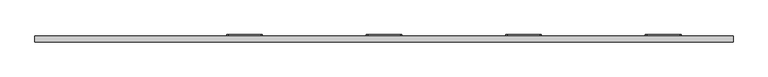
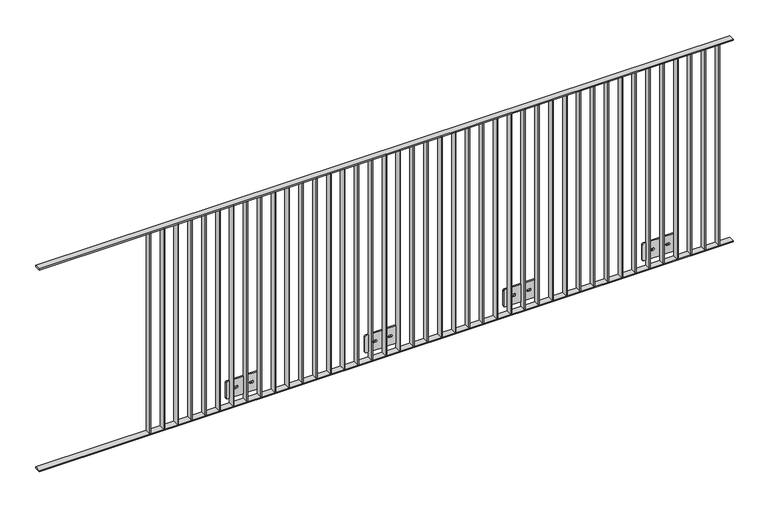
"""IFC4 building model written with IfcOpenShell, lengths in millimetres: railing geometry."""

from ifc_helpers import new_model, si_unit, frame, origin, place, context, project, spatial, polyline, circle_curve, outline, extrude, source, transform, mapped, element, save
from ifc_brep_helpers import plane_surface, cylinder_surface, revolved_surface, advanced_brep


def railing_325b37f7(model_context):
    return source(origin(), model_context, "Body", "SolidModel", [
        extrude(outline(polyline([(8210.4711935, -1129.1783245), (8210.4711935, -1089.1783245), (12710.4711935, -1089.1783245), (12710.4711935, -1129.1783245), (8210.4711935, -1129.1783245)])), frame((0.0, 0.0, 1192.0), z_axis=(0.0, 0.0, 1.0), x_axis=(1.0, 0.0, 0.0)), (0.0, 0.0, 1.0), 8.0),
        extrude(outline(polyline([(8210.4711935, -1129.1783245), (8210.4711935, -1089.1783245), (12710.4711935, -1089.1783245), (12710.4711935, -1129.1783245), (8210.4711935, -1129.1783245)])), frame((0.0, 0.0, -190.0), z_axis=(0.0, 0.0, 1.0), x_axis=(1.0, 0.0, 0.0)), (0.0, 0.0, 1.0), 8.0),
        extrude(outline(polyline([(12617.4711935, -1089.1783245), (12623.4711935, -1089.1783245), (12623.4711935, -1129.1783245), (12617.4711935, -1129.1783245), (12617.4711935, -1089.1783245)])), frame((0.0, 0.0, -182.0), z_axis=(0.0, 0.0, 1.0), x_axis=(1.0, 0.0, 0.0)), (0.0, 0.0, 1.0), 1374.0),
        extrude(outline(polyline([(12527.4711935, -1089.1783245), (12533.4711935, -1089.1783245), (12533.4711935, -1129.1783245), (12527.4711935, -1129.1783245), (12527.4711935, -1089.1783245)])), frame((0.0, 0.0, -182.0), z_axis=(0.0, 0.0, 1.0), x_axis=(1.0, 0.0, 0.0)), (0.0, 0.0, 1.0), 1374.0),
        extrude(outline(polyline([(12437.4711935, -1089.1783245), (12443.4711935, -1089.1783245), (12443.4711935, -1129.1783245), (12437.4711935, -1129.1783245), (12437.4711935, -1089.1783245)])), frame((0.0, 0.0, -182.0), z_axis=(0.0, 0.0, 1.0), x_axis=(1.0, 0.0, 0.0)), (0.0, 0.0, 1.0), 1374.0),
        extrude(outline(polyline([(12347.4711935, -1089.1783245), (12353.4711935, -1089.1783245), (12353.4711935, -1129.1783245), (12347.4711935, -1129.1783245), (12347.4711935, -1089.1783245)])), frame((0.0, 0.0, -182.0), z_axis=(0.0, 0.0, 1.0), x_axis=(1.0, 0.0, 0.0)), (0.0, 0.0, 1.0), 1374.0),
        advanced_brep(
        [(12257.4711935, -1129.1783245, 1192.0), (12257.4711935, -1129.1783245, -182.0), (12263.4711935, -1129.1783245, -182.0), (12263.4711935, -1129.1783245, 1192.0), (12257.4711935, -1089.1783245, 1192.0), (12263.4711935, -1089.1783245, 1192.0), (12263.4711935, -1089.1783245, -30.0), (12257.4711935, -1089.1783245, -30.0), (12263.4711935, -1089.1783245, -182.0), (12257.4711935, -1089.1783245, -182.0), (12257.4711935, -1089.1783245, -150.0), (12263.4711935, -1089.1783245, -150.0), (12365.4711935, -1081.1783245, -150.0), (12155.4711935, -1081.1783245, -150.0), (12145.4711935, -1081.1783245, -140.0), (12145.4711935, -1081.1783245, -40.0), (12155.4711935, -1081.1783245, -30.0), (12365.4711935, -1081.1783245, -30.0), (12375.4711935, -1081.1783245, -40.0), (12375.4711935, -1081.1783245, -140.0), (12215.4711935, -1081.1783245, -97.0), (12215.4711935, -1081.1783245, -83.0), (12205.4711935, -1081.1783245, -83.0), (12205.4711935, -1081.1783245, -97.0), (12305.4711935, -1081.1783245, -97.0), (12315.4711935, -1081.1783245, -97.0), (12315.4711935, -1081.1783245, -83.0), (12305.4711935, -1081.1783245, -83.0), (12365.4711935, -1089.1783245, -150.0), (12375.4711935, -1089.1783245, -140.0), (12375.4711935, -1089.1783245, -40.0), (12365.4711935, -1089.1783245, -30.0), (12305.4711935, -1089.1783245, -97.0), (12305.4711935, -1089.1783245, -83.0), (12315.4711935, -1089.1783245, -83.0), (12315.4711935, -1089.1783245, -97.0), (12155.4711935, -1089.1783245, -30.0), (12145.4711935, -1089.1783245, -40.0), (12145.4711935, -1089.1783245, -140.0), (12155.4711935, -1089.1783245, -150.0), (12215.4711935, -1089.1783245, -97.0), (12205.4711935, -1089.1783245, -97.0), (12205.4711935, -1089.1783245, -83.0), (12215.4711935, -1089.1783245, -83.0)],
        [
            (0, 1),
            (1, 2),
            (2, 3),
            (3, 0),
            (4, 5),
            (5, 6),
            (6, 7),
            (7, 4),
            (8, 9),
            (9, 10),
            (10, 11),
            (11, 8),
            (3, 5),
            (4, 0),
            (7, 10),
            (9, 1),
            (2, 8),
            (11, 6),
            (12, 13),
            (13, 14, circle_curve(frame((12155.4711935, -1081.1783245, -140.0), z_axis=(0.0, 1.0, 0.0), x_axis=(-1.0, 0.0, 0.0)), 10.0)),
            (14, 15),
            (15, 16, circle_curve(frame((12155.4711935, -1081.1783245, -40.0), z_axis=(0.0, 1.0, 0.0), x_axis=(-1.0, 0.0, 0.0)), 10.0)),
            (16, 17),
            (17, 18, circle_curve(frame((12365.4711935, -1081.1783245, -40.0), z_axis=(0.0, 1.0, 0.0), x_axis=(-1.0, 0.0, 0.0)), 10.0)),
            (18, 19),
            (19, 12, circle_curve(frame((12365.4711935, -1081.1783245, -140.0), z_axis=(0.0, 1.0, 0.0), x_axis=(-1.0, 0.0, 0.0)), 10.0)),
            (20, 21, circle_curve(frame((12215.4711935, -1081.1783245, -90.0), z_axis=(0.0, -1.0, 0.0), x_axis=(-1.0, 0.0, 0.0)), 7.0)),
            (21, 22),
            (22, 23, circle_curve(frame((12205.4711935, -1081.1783245, -90.0), z_axis=(0.0, -1.0, 0.0), x_axis=(-1.0, 0.0, 0.0)), 7.0)),
            (23, 20),
            (24, 25),
            (25, 26, circle_curve(frame((12315.4711935, -1081.1783245, -90.0), z_axis=(0.0, -1.0, 0.0), x_axis=(-1.0, 0.0, 0.0)), 7.0)),
            (26, 27),
            (27, 24, circle_curve(frame((12305.4711935, -1081.1783245, -90.0), z_axis=(0.0, -1.0, 0.0), x_axis=(-1.0, 0.0, 0.0)), 7.0)),
            (28, 29, circle_curve(frame((12365.4711935, -1089.1783245, -140.0), z_axis=(0.0, -1.0, 0.0), x_axis=(-1.0, 0.0, 0.0)), 10.0)),
            (29, 30),
            (30, 31, circle_curve(frame((12365.4711935, -1089.1783245, -40.0), z_axis=(0.0, -1.0, 0.0), x_axis=(-1.0, 0.0, 0.0)), 10.0)),
            (31, 6),
            (11, 28),
            (32, 33, circle_curve(frame((12305.4711935, -1089.1783245, -90.0), z_axis=(0.0, 1.0, 0.0), x_axis=(-1.0, 0.0, 0.0)), 7.0)),
            (33, 34),
            (34, 35, circle_curve(frame((12315.4711935, -1089.1783245, -90.0), z_axis=(0.0, 1.0, 0.0), x_axis=(-1.0, 0.0, 0.0)), 7.0)),
            (35, 32),
            (36, 37, circle_curve(frame((12155.4711935, -1089.1783245, -40.0), z_axis=(0.0, -1.0, 0.0), x_axis=(-1.0, 0.0, 0.0)), 10.0)),
            (37, 38),
            (38, 39, circle_curve(frame((12155.4711935, -1089.1783245, -140.0), z_axis=(0.0, -1.0, 0.0), x_axis=(-1.0, 0.0, 0.0)), 10.0)),
            (39, 10),
            (7, 36),
            (40, 41),
            (41, 42, circle_curve(frame((12205.4711935, -1089.1783245, -90.0), z_axis=(0.0, 1.0, 0.0), x_axis=(-1.0, 0.0, 0.0)), 7.0)),
            (42, 43),
            (43, 40, circle_curve(frame((12215.4711935, -1089.1783245, -90.0), z_axis=(0.0, 1.0, 0.0), x_axis=(-1.0, 0.0, 0.0)), 7.0)),
            (12, 28),
            (39, 13),
            (38, 14),
            (37, 15),
            (36, 16),
            (31, 17),
            (30, 18),
            (29, 19),
            (20, 40),
            (43, 21),
            (42, 22),
            (41, 23),
            (24, 32),
            (35, 25),
            (34, 26),
            (33, 27),
        ],
        [
            plane_surface(frame((12257.4711935, -1129.1783245, 1192.0), z_axis=(0.0, -1.0, 0.0), x_axis=(-1.0, 0.0, 0.0))),
            plane_surface(frame((12257.4711935, -1089.1783245, 1192.0), z_axis=(0.0, 1.0, 0.0), x_axis=(1.0, 0.0, 0.0))),
            plane_surface(frame((12257.4711935, -1089.1783245, 1192.0), z_axis=(0.0, 0.0, 1.0), x_axis=(0.0, -1.0, 0.0))),
            plane_surface(frame((12257.4711935, -1089.1783245, -182.0), z_axis=(-1.0, 0.0, 0.0), x_axis=(0.0, -1.0, 0.0))),
            plane_surface(frame((12263.4711935, -1089.1783245, 1192.0), z_axis=(1.0, 0.0, 0.0), x_axis=(0.0, -1.0, 0.0))),
            plane_surface(frame((12170.4711935, -1081.1783245, -150.0), z_axis=(0.0, 1.0, 0.0), x_axis=(-1.0, 0.0, 0.0))),
            plane_surface(frame((12170.4711935, -1089.1783245, -150.0), z_axis=(0.0, -1.0, 0.0), x_axis=(1.0, 0.0, 0.0))),
            plane_surface(frame((12365.4711935, -1081.1783245, -150.0), z_axis=(0.0, 0.0, -1.0), x_axis=(0.0, -1.0, 0.0))),
            cylinder_surface(frame((12155.4711935, -1089.1783245, -140.0), z_axis=(0.0, 1.0, 0.0), x_axis=(-1.0, 0.0, 0.0)), 10.0),
            plane_surface(frame((12145.4711935, -1081.1783245, -140.0), z_axis=(-1.0, 0.0, 0.0), x_axis=(0.0, -1.0, 0.0))),
            cylinder_surface(frame((12155.4711935, -1089.1783245, -40.0), z_axis=(0.0, 1.0, 0.0), x_axis=(-1.0, 0.0, 0.0)), 10.0),
            plane_surface(frame((12155.4711935, -1081.1783245, -30.0), z_axis=(0.0, 0.0, 1.0), x_axis=(0.0, -1.0, 0.0))),
            cylinder_surface(frame((12365.4711935, -1089.1783245, -40.0), z_axis=(0.0, 1.0, 0.0), x_axis=(-1.0, 0.0, 0.0)), 10.0),
            plane_surface(frame((12375.4711935, -1081.1783245, -40.0), z_axis=(1.0, 0.0, 0.0), x_axis=(0.0, -1.0, 0.0))),
            cylinder_surface(frame((12365.4711935, -1089.1783245, -140.0), z_axis=(0.0, 1.0, 0.0), x_axis=(-1.0, 0.0, 0.0)), 10.0),
            revolved_surface(polyline([(12208.4711935, -1089.1783245, -90.0), (12208.4711935, -1081.1783245, -90.0)]), (12215.4711935, -1109.1783245, -90.0), (0.0, -1.0, 0.0)),
            plane_surface(frame((12215.4711935, -1081.1783245, -83.0), z_axis=(0.0, 0.0, -1.0), x_axis=(0.0, -1.0, 0.0))),
            revolved_surface(polyline([(12198.4711935, -1089.1783245, -90.0), (12198.4711935, -1081.1783245, -90.0)]), (12205.4711935, -1109.1783245, -90.0), (0.0, -1.0, 0.0)),
            plane_surface(frame((12205.4711935, -1081.1783245, -97.0), z_axis=(0.0, 0.0, 1.0), x_axis=(0.0, -1.0, 0.0))),
            plane_surface(frame((12305.4711935, -1081.1783245, -97.0), z_axis=(0.0, 0.0, 1.0), x_axis=(0.0, -1.0, 0.0))),
            revolved_surface(polyline([(12308.4711935, -1089.1783245, -90.0), (12308.4711935, -1081.1783245, -90.0)]), (12315.4711935, -1109.1783245, -90.0), (0.0, -1.0, 0.0)),
            plane_surface(frame((12315.4711935, -1081.1783245, -83.0), z_axis=(0.0, 0.0, -1.0), x_axis=(0.0, -1.0, 0.0))),
            revolved_surface(polyline([(12298.4711935, -1089.1783245, -90.0), (12298.4711935, -1081.1783245, -90.0)]), (12305.4711935, -1109.1783245, -90.0), (0.0, -1.0, 0.0)),
            plane_surface(frame((12263.4711935, -1089.1783245, -182.0), z_axis=(0.0, 0.0, -1.0), x_axis=(0.0, -1.0, 0.0))),
        ],
        [
            (0, [[1, 2, 3, 4]]),
            (1, [[5, 6, 7, 8]]),
            (1, [[9, 10, 11, 12]]),
            (2, [[-4, 13, -5, 14]]),
            (3, [[-1, -14, -8, 15, -10, 16]]),
            (4, [[-3, 17, -12, 18, -6, -13]]),
            (5, [[19, 20, 21, 22, 23, 24, 25, 26], [27, 28, 29, 30], [31, 32, 33, 34]]),
            (6, [[35, 36, 37, 38, -18, 39], [40, 41, 42, 43]]),
            (6, [[44, 45, 46, 47, -15, 48], [49, 50, 51, 52]]),
            (7, [[-19, 53, -39, -11, -47, 54]]),
            (8, [[-20, -54, -46, 55]]),
            (9, [[-21, -55, -45, 56]]),
            (10, [[-22, -56, -44, 57]]),
            (11, [[-23, -57, -48, -7, -38, 58]]),
            (12, [[-24, -58, -37, 59]]),
            (13, [[-25, -59, -36, 60]]),
            (14, [[-26, -60, -35, -53]]),
            (15, [[-27, 61, -52, 62]]),
            (16, [[-28, -62, -51, 63]]),
            (17, [[-29, -63, -50, 64]]),
            (18, [[-30, -64, -49, -61]]),
            (19, [[-31, 65, -43, 66]]),
            (20, [[-32, -66, -42, 67]]),
            (21, [[-33, -67, -41, 68]]),
            (22, [[-34, -68, -40, -65]]),
            (23, [[-2, -16, -9, -17]]),
        ],
    ),
        extrude(outline(polyline([(12167.4711935, -1089.1783245), (12173.4711935, -1089.1783245), (12173.4711935, -1129.1783245), (12167.4711935, -1129.1783245), (12167.4711935, -1089.1783245)])), frame((0.0, 0.0, -182.0), z_axis=(0.0, 0.0, 1.0), x_axis=(1.0, 0.0, 0.0)), (0.0, 0.0, 1.0), 1374.0),
        extrude(outline(polyline([(12077.4711935, -1089.1783245), (12083.4711935, -1089.1783245), (12083.4711935, -1129.1783245), (12077.4711935, -1129.1783245), (12077.4711935, -1089.1783245)])), frame((0.0, 0.0, -182.0), z_axis=(0.0, 0.0, 1.0), x_axis=(1.0, 0.0, 0.0)), (0.0, 0.0, 1.0), 1374.0),
        extrude(outline(polyline([(11987.4711935, -1089.1783245), (11993.4711935, -1089.1783245), (11993.4711935, -1129.1783245), (11987.4711935, -1129.1783245), (11987.4711935, -1089.1783245)])), frame((0.0, 0.0, -182.0), z_axis=(0.0, 0.0, 1.0), x_axis=(1.0, 0.0, 0.0)), (0.0, 0.0, 1.0), 1374.0),
        extrude(outline(polyline([(11897.4711935, -1089.1783245), (11903.4711935, -1089.1783245), (11903.4711935, -1129.1783245), (11897.4711935, -1129.1783245), (11897.4711935, -1089.1783245)])), frame((0.0, 0.0, -182.0), z_axis=(0.0, 0.0, 1.0), x_axis=(1.0, 0.0, 0.0)), (0.0, 0.0, 1.0), 1374.0),
        extrude(outline(polyline([(11807.4711935, -1089.1783245), (11813.4711935, -1089.1783245), (11813.4711935, -1129.1783245), (11807.4711935, -1129.1783245), (11807.4711935, -1089.1783245)])), frame((0.0, 0.0, -182.0), z_axis=(0.0, 0.0, 1.0), x_axis=(1.0, 0.0, 0.0)), (0.0, 0.0, 1.0), 1374.0),
        extrude(outline(polyline([(11717.4711935, -1089.1783245), (11723.4711935, -1089.1783245), (11723.4711935, -1129.1783245), (11717.4711935, -1129.1783245), (11717.4711935, -1089.1783245)])), frame((0.0, 0.0, -182.0), z_axis=(0.0, 0.0, 1.0), x_axis=(1.0, 0.0, 0.0)), (0.0, 0.0, 1.0), 1374.0),
        extrude(outline(polyline([(11627.4711935, -1089.1783245), (11633.4711935, -1089.1783245), (11633.4711935, -1129.1783245), (11627.4711935, -1129.1783245), (11627.4711935, -1089.1783245)])), frame((0.0, 0.0, -182.0), z_axis=(0.0, 0.0, 1.0), x_axis=(1.0, 0.0, 0.0)), (0.0, 0.0, 1.0), 1374.0),
        extrude(outline(polyline([(11537.4711935, -1089.1783245), (11543.4711935, -1089.1783245), (11543.4711935, -1129.1783245), (11537.4711935, -1129.1783245), (11537.4711935, -1089.1783245)])), frame((0.0, 0.0, -182.0), z_axis=(0.0, 0.0, 1.0), x_axis=(1.0, 0.0, 0.0)), (0.0, 0.0, 1.0), 1374.0),
        extrude(outline(polyline([(11447.4711935, -1089.1783245), (11453.4711935, -1089.1783245), (11453.4711935, -1129.1783245), (11447.4711935, -1129.1783245), (11447.4711935, -1089.1783245)])), frame((0.0, 0.0, -182.0), z_axis=(0.0, 0.0, 1.0), x_axis=(1.0, 0.0, 0.0)), (0.0, 0.0, 1.0), 1374.0),
        advanced_brep(
        [(11357.4711935, -1129.1783245, 1192.0), (11357.4711935, -1129.1783245, -182.0), (11363.4711935, -1129.1783245, -182.0), (11363.4711935, -1129.1783245, 1192.0), (11357.4711935, -1089.1783245, 1192.0), (11363.4711935, -1089.1783245, 1192.0), (11363.4711935, -1089.1783245, -30.0), (11357.4711935, -1089.1783245, -30.0), (11363.4711935, -1089.1783245, -182.0), (11357.4711935, -1089.1783245, -182.0), (11357.4711935, -1089.1783245, -150.0), (11363.4711935, -1089.1783245, -150.0), (11465.4711935, -1081.1783245, -150.0), (11255.4711935, -1081.1783245, -150.0), (11245.4711935, -1081.1783245, -140.0), (11245.4711935, -1081.1783245, -40.0), (11255.4711935, -1081.1783245, -30.0), (11465.4711935, -1081.1783245, -30.0), (11475.4711935, -1081.1783245, -40.0), (11475.4711935, -1081.1783245, -140.0), (11315.4711935, -1081.1783245, -97.0), (11315.4711935, -1081.1783245, -83.0), (11305.4711935, -1081.1783245, -83.0), (11305.4711935, -1081.1783245, -97.0), (11405.4711935, -1081.1783245, -97.0), (11415.4711935, -1081.1783245, -97.0), (11415.4711935, -1081.1783245, -83.0), (11405.4711935, -1081.1783245, -83.0), (11465.4711935, -1089.1783245, -150.0), (11475.4711935, -1089.1783245, -140.0), (11475.4711935, -1089.1783245, -40.0), (11465.4711935, -1089.1783245, -30.0), (11405.4711935, -1089.1783245, -97.0), (11405.4711935, -1089.1783245, -83.0), (11415.4711935, -1089.1783245, -83.0), (11415.4711935, -1089.1783245, -97.0), (11255.4711935, -1089.1783245, -30.0), (11245.4711935, -1089.1783245, -40.0), (11245.4711935, -1089.1783245, -140.0), (11255.4711935, -1089.1783245, -150.0), (11315.4711935, -1089.1783245, -97.0), (11305.4711935, -1089.1783245, -97.0), (11305.4711935, -1089.1783245, -83.0), (11315.4711935, -1089.1783245, -83.0)],
        [
            (0, 1),
            (1, 2),
            (2, 3),
            (3, 0),
            (4, 5),
            (5, 6),
            (6, 7),
            (7, 4),
            (8, 9),
            (9, 10),
            (10, 11),
            (11, 8),
            (3, 5),
            (4, 0),
            (7, 10),
            (9, 1),
            (2, 8),
            (11, 6),
            (12, 13),
            (13, 14, circle_curve(frame((11255.4711935, -1081.1783245, -140.0), z_axis=(0.0, 1.0, 0.0), x_axis=(-1.0, 0.0, 0.0)), 10.0)),
            (14, 15),
            (15, 16, circle_curve(frame((11255.4711935, -1081.1783245, -40.0), z_axis=(0.0, 1.0, 0.0), x_axis=(-1.0, 0.0, 0.0)), 10.0)),
            (16, 17),
            (17, 18, circle_curve(frame((11465.4711935, -1081.1783245, -40.0), z_axis=(0.0, 1.0, 0.0), x_axis=(-1.0, 0.0, 0.0)), 10.0)),
            (18, 19),
            (19, 12, circle_curve(frame((11465.4711935, -1081.1783245, -140.0), z_axis=(0.0, 1.0, 0.0), x_axis=(-1.0, 0.0, 0.0)), 10.0)),
            (20, 21, circle_curve(frame((11315.4711935, -1081.1783245, -90.0), z_axis=(0.0, -1.0, 0.0), x_axis=(-1.0, 0.0, 0.0)), 7.0)),
            (21, 22),
            (22, 23, circle_curve(frame((11305.4711935, -1081.1783245, -90.0), z_axis=(0.0, -1.0, 0.0), x_axis=(-1.0, 0.0, 0.0)), 7.0)),
            (23, 20),
            (24, 25),
            (25, 26, circle_curve(frame((11415.4711935, -1081.1783245, -90.0), z_axis=(0.0, -1.0, 0.0), x_axis=(-1.0, 0.0, 0.0)), 7.0)),
            (26, 27),
            (27, 24, circle_curve(frame((11405.4711935, -1081.1783245, -90.0), z_axis=(0.0, -1.0, 0.0), x_axis=(-1.0, 0.0, 0.0)), 7.0)),
            (28, 29, circle_curve(frame((11465.4711935, -1089.1783245, -140.0), z_axis=(0.0, -1.0, 0.0), x_axis=(-1.0, 0.0, 0.0)), 10.0)),
            (29, 30),
            (30, 31, circle_curve(frame((11465.4711935, -1089.1783245, -40.0), z_axis=(0.0, -1.0, 0.0), x_axis=(-1.0, 0.0, 0.0)), 10.0)),
            (31, 6),
            (11, 28),
            (32, 33, circle_curve(frame((11405.4711935, -1089.1783245, -90.0), z_axis=(0.0, 1.0, 0.0), x_axis=(-1.0, 0.0, 0.0)), 7.0)),
            (33, 34),
            (34, 35, circle_curve(frame((11415.4711935, -1089.1783245, -90.0), z_axis=(0.0, 1.0, 0.0), x_axis=(-1.0, 0.0, 0.0)), 7.0)),
            (35, 32),
            (36, 37, circle_curve(frame((11255.4711935, -1089.1783245, -40.0), z_axis=(0.0, -1.0, 0.0), x_axis=(-1.0, 0.0, 0.0)), 10.0)),
            (37, 38),
            (38, 39, circle_curve(frame((11255.4711935, -1089.1783245, -140.0), z_axis=(0.0, -1.0, 0.0), x_axis=(-1.0, 0.0, 0.0)), 10.0)),
            (39, 10),
            (7, 36),
            (40, 41),
            (41, 42, circle_curve(frame((11305.4711935, -1089.1783245, -90.0), z_axis=(0.0, 1.0, 0.0), x_axis=(-1.0, 0.0, 0.0)), 7.0)),
            (42, 43),
            (43, 40, circle_curve(frame((11315.4711935, -1089.1783245, -90.0), z_axis=(0.0, 1.0, 0.0), x_axis=(-1.0, 0.0, 0.0)), 7.0)),
            (12, 28),
            (39, 13),
            (38, 14),
            (37, 15),
            (36, 16),
            (31, 17),
            (30, 18),
            (29, 19),
            (20, 40),
            (43, 21),
            (42, 22),
            (41, 23),
            (24, 32),
            (35, 25),
            (34, 26),
            (33, 27),
        ],
        [
            plane_surface(frame((11357.4711935, -1129.1783245, 1192.0), z_axis=(0.0, -1.0, 0.0), x_axis=(-1.0, 0.0, 0.0))),
            plane_surface(frame((11357.4711935, -1089.1783245, 1192.0), z_axis=(0.0, 1.0, 0.0), x_axis=(1.0, 0.0, 0.0))),
            plane_surface(frame((11357.4711935, -1089.1783245, 1192.0), z_axis=(0.0, 0.0, 1.0), x_axis=(0.0, -1.0, 0.0))),
            plane_surface(frame((11357.4711935, -1089.1783245, -182.0), z_axis=(-1.0, 0.0, 0.0), x_axis=(0.0, -1.0, 0.0))),
            plane_surface(frame((11363.4711935, -1089.1783245, 1192.0), z_axis=(1.0, 0.0, 0.0), x_axis=(0.0, -1.0, 0.0))),
            plane_surface(frame((11270.4711935, -1081.1783245, -150.0), z_axis=(0.0, 1.0, 0.0), x_axis=(-1.0, 0.0, 0.0))),
            plane_surface(frame((11270.4711935, -1089.1783245, -150.0), z_axis=(0.0, -1.0, 0.0), x_axis=(1.0, 0.0, 0.0))),
            plane_surface(frame((11465.4711935, -1081.1783245, -150.0), z_axis=(0.0, 0.0, -1.0), x_axis=(0.0, -1.0, 0.0))),
            cylinder_surface(frame((11255.4711935, -1089.1783245, -140.0), z_axis=(0.0, 1.0, 0.0), x_axis=(-1.0, 0.0, 0.0)), 10.0),
            plane_surface(frame((11245.4711935, -1081.1783245, -140.0), z_axis=(-1.0, 0.0, 0.0), x_axis=(0.0, -1.0, 0.0))),
            cylinder_surface(frame((11255.4711935, -1089.1783245, -40.0), z_axis=(0.0, 1.0, 0.0), x_axis=(-1.0, 0.0, 0.0)), 10.0),
            plane_surface(frame((11255.4711935, -1081.1783245, -30.0), z_axis=(0.0, 0.0, 1.0), x_axis=(0.0, -1.0, 0.0))),
            cylinder_surface(frame((11465.4711935, -1089.1783245, -40.0), z_axis=(0.0, 1.0, 0.0), x_axis=(-1.0, 0.0, 0.0)), 10.0),
            plane_surface(frame((11475.4711935, -1081.1783245, -40.0), z_axis=(1.0, 0.0, 0.0), x_axis=(0.0, -1.0, 0.0))),
            cylinder_surface(frame((11465.4711935, -1089.1783245, -140.0), z_axis=(0.0, 1.0, 0.0), x_axis=(-1.0, 0.0, 0.0)), 10.0),
            revolved_surface(polyline([(11308.4711935, -1089.1783245, -90.0), (11308.4711935, -1081.1783245, -90.0)]), (11315.4711935, -1109.1783245, -90.0), (0.0, -1.0, 0.0)),
            plane_surface(frame((11315.4711935, -1081.1783245, -83.0), z_axis=(0.0, 0.0, -1.0), x_axis=(0.0, -1.0, 0.0))),
            revolved_surface(polyline([(11298.4711935, -1089.1783245, -90.0), (11298.4711935, -1081.1783245, -90.0)]), (11305.4711935, -1109.1783245, -90.0), (0.0, -1.0, 0.0)),
            plane_surface(frame((11305.4711935, -1081.1783245, -97.0), z_axis=(0.0, 0.0, 1.0), x_axis=(0.0, -1.0, 0.0))),
            plane_surface(frame((11405.4711935, -1081.1783245, -97.0), z_axis=(0.0, 0.0, 1.0), x_axis=(0.0, -1.0, 0.0))),
            revolved_surface(polyline([(11408.4711935, -1089.1783245, -90.0), (11408.4711935, -1081.1783245, -90.0)]), (11415.4711935, -1109.1783245, -90.0), (0.0, -1.0, 0.0)),
            plane_surface(frame((11415.4711935, -1081.1783245, -83.0), z_axis=(0.0, 0.0, -1.0), x_axis=(0.0, -1.0, 0.0))),
            revolved_surface(polyline([(11398.4711935, -1089.1783245, -90.0), (11398.4711935, -1081.1783245, -90.0)]), (11405.4711935, -1109.1783245, -90.0), (0.0, -1.0, 0.0)),
            plane_surface(frame((11363.4711935, -1089.1783245, -182.0), z_axis=(0.0, 0.0, -1.0), x_axis=(0.0, -1.0, 0.0))),
        ],
        [
            (0, [[1, 2, 3, 4]]),
            (1, [[5, 6, 7, 8]]),
            (1, [[9, 10, 11, 12]]),
            (2, [[-4, 13, -5, 14]]),
            (3, [[-1, -14, -8, 15, -10, 16]]),
            (4, [[-3, 17, -12, 18, -6, -13]]),
            (5, [[19, 20, 21, 22, 23, 24, 25, 26], [27, 28, 29, 30], [31, 32, 33, 34]]),
            (6, [[35, 36, 37, 38, -18, 39], [40, 41, 42, 43]]),
            (6, [[44, 45, 46, 47, -15, 48], [49, 50, 51, 52]]),
            (7, [[-19, 53, -39, -11, -47, 54]]),
            (8, [[-20, -54, -46, 55]]),
            (9, [[-21, -55, -45, 56]]),
            (10, [[-22, -56, -44, 57]]),
            (11, [[-23, -57, -48, -7, -38, 58]]),
            (12, [[-24, -58, -37, 59]]),
            (13, [[-25, -59, -36, 60]]),
            (14, [[-26, -60, -35, -53]]),
            (15, [[-27, 61, -52, 62]]),
            (16, [[-28, -62, -51, 63]]),
            (17, [[-29, -63, -50, 64]]),
            (18, [[-30, -64, -49, -61]]),
            (19, [[-31, 65, -43, 66]]),
            (20, [[-32, -66, -42, 67]]),
            (21, [[-33, -67, -41, 68]]),
            (22, [[-34, -68, -40, -65]]),
            (23, [[-2, -16, -9, -17]]),
        ],
    ),
        extrude(outline(polyline([(11267.4711935, -1089.1783245), (11273.4711935, -1089.1783245), (11273.4711935, -1129.1783245), (11267.4711935, -1129.1783245), (11267.4711935, -1089.1783245)])), frame((0.0, 0.0, -182.0), z_axis=(0.0, 0.0, 1.0), x_axis=(1.0, 0.0, 0.0)), (0.0, 0.0, 1.0), 1374.0),
        extrude(outline(polyline([(11177.4711935, -1089.1783245), (11183.4711935, -1089.1783245), (11183.4711935, -1129.1783245), (11177.4711935, -1129.1783245), (11177.4711935, -1089.1783245)])), frame((0.0, 0.0, -182.0), z_axis=(0.0, 0.0, 1.0), x_axis=(1.0, 0.0, 0.0)), (0.0, 0.0, 1.0), 1374.0),
        extrude(outline(polyline([(11087.4711935, -1089.1783245), (11093.4711935, -1089.1783245), (11093.4711935, -1129.1783245), (11087.4711935, -1129.1783245), (11087.4711935, -1089.1783245)])), frame((0.0, 0.0, -182.0), z_axis=(0.0, 0.0, 1.0), x_axis=(1.0, 0.0, 0.0)), (0.0, 0.0, 1.0), 1374.0),
        extrude(outline(polyline([(10997.4711935, -1089.1783245), (11003.4711935, -1089.1783245), (11003.4711935, -1129.1783245), (10997.4711935, -1129.1783245), (10997.4711935, -1089.1783245)])), frame((0.0, 0.0, -182.0), z_axis=(0.0, 0.0, 1.0), x_axis=(1.0, 0.0, 0.0)), (0.0, 0.0, 1.0), 1374.0),
        extrude(outline(polyline([(10907.4711935, -1089.1783245), (10913.4711935, -1089.1783245), (10913.4711935, -1129.1783245), (10907.4711935, -1129.1783245), (10907.4711935, -1089.1783245)])), frame((0.0, 0.0, -182.0), z_axis=(0.0, 0.0, 1.0), x_axis=(1.0, 0.0, 0.0)), (0.0, 0.0, 1.0), 1374.0),
        extrude(outline(polyline([(10817.4711935, -1089.1783245), (10823.4711935, -1089.1783245), (10823.4711935, -1129.1783245), (10817.4711935, -1129.1783245), (10817.4711935, -1089.1783245)])), frame((0.0, 0.0, -182.0), z_axis=(0.0, 0.0, 1.0), x_axis=(1.0, 0.0, 0.0)), (0.0, 0.0, 1.0), 1374.0),
        extrude(outline(polyline([(10727.4711935, -1089.1783245), (10733.4711935, -1089.1783245), (10733.4711935, -1129.1783245), (10727.4711935, -1129.1783245), (10727.4711935, -1089.1783245)])), frame((0.0, 0.0, -182.0), z_axis=(0.0, 0.0, 1.0), x_axis=(1.0, 0.0, 0.0)), (0.0, 0.0, 1.0), 1374.0),
        extrude(outline(polyline([(10637.4711935, -1089.1783245), (10643.4711935, -1089.1783245), (10643.4711935, -1129.1783245), (10637.4711935, -1129.1783245), (10637.4711935, -1089.1783245)])), frame((0.0, 0.0, -182.0), z_axis=(0.0, 0.0, 1.0), x_axis=(1.0, 0.0, 0.0)), (0.0, 0.0, 1.0), 1374.0),
        extrude(outline(polyline([(10547.4711935, -1089.1783245), (10553.4711935, -1089.1783245), (10553.4711935, -1129.1783245), (10547.4711935, -1129.1783245), (10547.4711935, -1089.1783245)])), frame((0.0, 0.0, -182.0), z_axis=(0.0, 0.0, 1.0), x_axis=(1.0, 0.0, 0.0)), (0.0, 0.0, 1.0), 1374.0),
        advanced_brep(
        [(10457.4711935, -1129.1783245, 1192.0), (10457.4711935, -1129.1783245, -182.0), (10463.4711935, -1129.1783245, -182.0), (10463.4711935, -1129.1783245, 1192.0), (10457.4711935, -1089.1783245, 1192.0), (10463.4711935, -1089.1783245, 1192.0), (10463.4711935, -1089.1783245, -30.0), (10457.4711935, -1089.1783245, -30.0), (10463.4711935, -1089.1783245, -182.0), (10457.4711935, -1089.1783245, -182.0), (10457.4711935, -1089.1783245, -150.0), (10463.4711935, -1089.1783245, -150.0), (10565.4711935, -1081.1783245, -150.0), (10355.4711935, -1081.1783245, -150.0), (10345.4711935, -1081.1783245, -140.0), (10345.4711935, -1081.1783245, -40.0), (10355.4711935, -1081.1783245, -30.0), (10565.4711935, -1081.1783245, -30.0), (10575.4711935, -1081.1783245, -40.0), (10575.4711935, -1081.1783245, -140.0), (10415.4711935, -1081.1783245, -97.0), (10415.4711935, -1081.1783245, -83.0), (10405.4711935, -1081.1783245, -83.0), (10405.4711935, -1081.1783245, -97.0), (10505.4711935, -1081.1783245, -97.0), (10515.4711935, -1081.1783245, -97.0), (10515.4711935, -1081.1783245, -83.0), (10505.4711935, -1081.1783245, -83.0), (10565.4711935, -1089.1783245, -150.0), (10575.4711935, -1089.1783245, -140.0), (10575.4711935, -1089.1783245, -40.0), (10565.4711935, -1089.1783245, -30.0), (10505.4711935, -1089.1783245, -97.0), (10505.4711935, -1089.1783245, -83.0), (10515.4711935, -1089.1783245, -83.0), (10515.4711935, -1089.1783245, -97.0), (10355.4711935, -1089.1783245, -30.0), (10345.4711935, -1089.1783245, -40.0), (10345.4711935, -1089.1783245, -140.0), (10355.4711935, -1089.1783245, -150.0), (10415.4711935, -1089.1783245, -97.0), (10405.4711935, -1089.1783245, -97.0), (10405.4711935, -1089.1783245, -83.0), (10415.4711935, -1089.1783245, -83.0)],
        [
            (0, 1),
            (1, 2),
            (2, 3),
            (3, 0),
            (4, 5),
            (5, 6),
            (6, 7),
            (7, 4),
            (8, 9),
            (9, 10),
            (10, 11),
            (11, 8),
            (3, 5),
            (4, 0),
            (7, 10),
            (9, 1),
            (2, 8),
            (11, 6),
            (12, 13),
            (13, 14, circle_curve(frame((10355.4711935, -1081.1783245, -140.0), z_axis=(0.0, 1.0, 0.0), x_axis=(-1.0, 0.0, 0.0)), 10.0)),
            (14, 15),
            (15, 16, circle_curve(frame((10355.4711935, -1081.1783245, -40.0), z_axis=(0.0, 1.0, 0.0), x_axis=(-1.0, 0.0, 0.0)), 10.0)),
            (16, 17),
            (17, 18, circle_curve(frame((10565.4711935, -1081.1783245, -40.0), z_axis=(0.0, 1.0, 0.0), x_axis=(-1.0, 0.0, 0.0)), 10.0)),
            (18, 19),
            (19, 12, circle_curve(frame((10565.4711935, -1081.1783245, -140.0), z_axis=(0.0, 1.0, 0.0), x_axis=(-1.0, 0.0, 0.0)), 10.0)),
            (20, 21, circle_curve(frame((10415.4711935, -1081.1783245, -90.0), z_axis=(0.0, -1.0, 0.0), x_axis=(-1.0, 0.0, 0.0)), 7.0)),
            (21, 22),
            (22, 23, circle_curve(frame((10405.4711935, -1081.1783245, -90.0), z_axis=(0.0, -1.0, 0.0), x_axis=(-1.0, 0.0, 0.0)), 7.0)),
            (23, 20),
            (24, 25),
            (25, 26, circle_curve(frame((10515.4711935, -1081.1783245, -90.0), z_axis=(0.0, -1.0, 0.0), x_axis=(-1.0, 0.0, 0.0)), 7.0)),
            (26, 27),
            (27, 24, circle_curve(frame((10505.4711935, -1081.1783245, -90.0), z_axis=(0.0, -1.0, 0.0), x_axis=(-1.0, 0.0, 0.0)), 7.0)),
            (28, 29, circle_curve(frame((10565.4711935, -1089.1783245, -140.0), z_axis=(0.0, -1.0, 0.0), x_axis=(-1.0, 0.0, 0.0)), 10.0)),
            (29, 30),
            (30, 31, circle_curve(frame((10565.4711935, -1089.1783245, -40.0), z_axis=(0.0, -1.0, 0.0), x_axis=(-1.0, 0.0, 0.0)), 10.0)),
            (31, 6),
            (11, 28),
            (32, 33, circle_curve(frame((10505.4711935, -1089.1783245, -90.0), z_axis=(0.0, 1.0, 0.0), x_axis=(-1.0, 0.0, 0.0)), 7.0)),
            (33, 34),
            (34, 35, circle_curve(frame((10515.4711935, -1089.1783245, -90.0), z_axis=(0.0, 1.0, 0.0), x_axis=(-1.0, 0.0, 0.0)), 7.0)),
            (35, 32),
            (36, 37, circle_curve(frame((10355.4711935, -1089.1783245, -40.0), z_axis=(0.0, -1.0, 0.0), x_axis=(-1.0, 0.0, 0.0)), 10.0)),
            (37, 38),
            (38, 39, circle_curve(frame((10355.4711935, -1089.1783245, -140.0), z_axis=(0.0, -1.0, 0.0), x_axis=(-1.0, 0.0, 0.0)), 10.0)),
            (39, 10),
            (7, 36),
            (40, 41),
            (41, 42, circle_curve(frame((10405.4711935, -1089.1783245, -90.0), z_axis=(0.0, 1.0, 0.0), x_axis=(-1.0, 0.0, 0.0)), 7.0)),
            (42, 43),
            (43, 40, circle_curve(frame((10415.4711935, -1089.1783245, -90.0), z_axis=(0.0, 1.0, 0.0), x_axis=(-1.0, 0.0, 0.0)), 7.0)),
            (12, 28),
            (39, 13),
            (38, 14),
            (37, 15),
            (36, 16),
            (31, 17),
            (30, 18),
            (29, 19),
            (20, 40),
            (43, 21),
            (42, 22),
            (41, 23),
            (24, 32),
            (35, 25),
            (34, 26),
            (33, 27),
        ],
        [
            plane_surface(frame((10457.4711935, -1129.1783245, 1192.0), z_axis=(0.0, -1.0, 0.0), x_axis=(-1.0, 0.0, 0.0))),
            plane_surface(frame((10457.4711935, -1089.1783245, 1192.0), z_axis=(0.0, 1.0, 0.0), x_axis=(1.0, 0.0, 0.0))),
            plane_surface(frame((10457.4711935, -1089.1783245, 1192.0), z_axis=(0.0, 0.0, 1.0), x_axis=(0.0, -1.0, 0.0))),
            plane_surface(frame((10457.4711935, -1089.1783245, -182.0), z_axis=(-1.0, 0.0, 0.0), x_axis=(0.0, -1.0, 0.0))),
            plane_surface(frame((10463.4711935, -1089.1783245, 1192.0), z_axis=(1.0, 0.0, 0.0), x_axis=(0.0, -1.0, 0.0))),
            plane_surface(frame((10370.4711935, -1081.1783245, -150.0), z_axis=(0.0, 1.0, 0.0), x_axis=(-1.0, 0.0, 0.0))),
            plane_surface(frame((10370.4711935, -1089.1783245, -150.0), z_axis=(0.0, -1.0, 0.0), x_axis=(1.0, 0.0, 0.0))),
            plane_surface(frame((10565.4711935, -1081.1783245, -150.0), z_axis=(0.0, 0.0, -1.0), x_axis=(0.0, -1.0, 0.0))),
            cylinder_surface(frame((10355.4711935, -1089.1783245, -140.0), z_axis=(0.0, 1.0, 0.0), x_axis=(-1.0, 0.0, 0.0)), 10.0),
            plane_surface(frame((10345.4711935, -1081.1783245, -140.0), z_axis=(-1.0, 0.0, 0.0), x_axis=(0.0, -1.0, 0.0))),
            cylinder_surface(frame((10355.4711935, -1089.1783245, -40.0), z_axis=(0.0, 1.0, 0.0), x_axis=(-1.0, 0.0, 0.0)), 10.0),
            plane_surface(frame((10355.4711935, -1081.1783245, -30.0), z_axis=(0.0, 0.0, 1.0), x_axis=(0.0, -1.0, 0.0))),
            cylinder_surface(frame((10565.4711935, -1089.1783245, -40.0), z_axis=(0.0, 1.0, 0.0), x_axis=(-1.0, 0.0, 0.0)), 10.0),
            plane_surface(frame((10575.4711935, -1081.1783245, -40.0), z_axis=(1.0, 0.0, 0.0), x_axis=(0.0, -1.0, 0.0))),
            cylinder_surface(frame((10565.4711935, -1089.1783245, -140.0), z_axis=(0.0, 1.0, 0.0), x_axis=(-1.0, 0.0, 0.0)), 10.0),
            revolved_surface(polyline([(10408.4711935, -1089.1783245, -90.0), (10408.4711935, -1081.1783245, -90.0)]), (10415.4711935, -1109.1783245, -90.0), (0.0, -1.0, 0.0)),
            plane_surface(frame((10415.4711935, -1081.1783245, -83.0), z_axis=(0.0, 0.0, -1.0), x_axis=(0.0, -1.0, 0.0))),
            revolved_surface(polyline([(10398.4711935, -1089.1783245, -90.0), (10398.4711935, -1081.1783245, -90.0)]), (10405.4711935, -1109.1783245, -90.0), (0.0, -1.0, 0.0)),
            plane_surface(frame((10405.4711935, -1081.1783245, -97.0), z_axis=(0.0, 0.0, 1.0), x_axis=(0.0, -1.0, 0.0))),
            plane_surface(frame((10505.4711935, -1081.1783245, -97.0), z_axis=(0.0, 0.0, 1.0), x_axis=(0.0, -1.0, 0.0))),
            revolved_surface(polyline([(10508.4711935, -1089.1783245, -90.0), (10508.4711935, -1081.1783245, -90.0)]), (10515.4711935, -1109.1783245, -90.0), (0.0, -1.0, 0.0)),
            plane_surface(frame((10515.4711935, -1081.1783245, -83.0), z_axis=(0.0, 0.0, -1.0), x_axis=(0.0, -1.0, 0.0))),
            revolved_surface(polyline([(10498.4711935, -1089.1783245, -90.0), (10498.4711935, -1081.1783245, -90.0)]), (10505.4711935, -1109.1783245, -90.0), (0.0, -1.0, 0.0)),
            plane_surface(frame((10463.4711935, -1089.1783245, -182.0), z_axis=(0.0, 0.0, -1.0), x_axis=(0.0, -1.0, 0.0))),
        ],
        [
            (0, [[1, 2, 3, 4]]),
            (1, [[5, 6, 7, 8]]),
            (1, [[9, 10, 11, 12]]),
            (2, [[-4, 13, -5, 14]]),
            (3, [[-1, -14, -8, 15, -10, 16]]),
            (4, [[-3, 17, -12, 18, -6, -13]]),
            (5, [[19, 20, 21, 22, 23, 24, 25, 26], [27, 28, 29, 30], [31, 32, 33, 34]]),
            (6, [[35, 36, 37, 38, -18, 39], [40, 41, 42, 43]]),
            (6, [[44, 45, 46, 47, -15, 48], [49, 50, 51, 52]]),
            (7, [[-19, 53, -39, -11, -47, 54]]),
            (8, [[-20, -54, -46, 55]]),
            (9, [[-21, -55, -45, 56]]),
            (10, [[-22, -56, -44, 57]]),
            (11, [[-23, -57, -48, -7, -38, 58]]),
            (12, [[-24, -58, -37, 59]]),
            (13, [[-25, -59, -36, 60]]),
            (14, [[-26, -60, -35, -53]]),
            (15, [[-27, 61, -52, 62]]),
            (16, [[-28, -62, -51, 63]]),
            (17, [[-29, -63, -50, 64]]),
            (18, [[-30, -64, -49, -61]]),
            (19, [[-31, 65, -43, 66]]),
            (20, [[-32, -66, -42, 67]]),
            (21, [[-33, -67, -41, 68]]),
            (22, [[-34, -68, -40, -65]]),
            (23, [[-2, -16, -9, -17]]),
        ],
    ),
        extrude(outline(polyline([(10367.4711935, -1089.1783245), (10373.4711935, -1089.1783245), (10373.4711935, -1129.1783245), (10367.4711935, -1129.1783245), (10367.4711935, -1089.1783245)])), frame((0.0, 0.0, -182.0), z_axis=(0.0, 0.0, 1.0), x_axis=(1.0, 0.0, 0.0)), (0.0, 0.0, 1.0), 1374.0),
        extrude(outline(polyline([(10277.4711935, -1089.1783245), (10283.4711935, -1089.1783245), (10283.4711935, -1129.1783245), (10277.4711935, -1129.1783245), (10277.4711935, -1089.1783245)])), frame((0.0, 0.0, -182.0), z_axis=(0.0, 0.0, 1.0), x_axis=(1.0, 0.0, 0.0)), (0.0, 0.0, 1.0), 1374.0),
        extrude(outline(polyline([(10187.4711935, -1089.1783245), (10193.4711935, -1089.1783245), (10193.4711935, -1129.1783245), (10187.4711935, -1129.1783245), (10187.4711935, -1089.1783245)])), frame((0.0, 0.0, -182.0), z_axis=(0.0, 0.0, 1.0), x_axis=(1.0, 0.0, 0.0)), (0.0, 0.0, 1.0), 1374.0),
        extrude(outline(polyline([(10097.4711935, -1089.1783245), (10103.4711935, -1089.1783245), (10103.4711935, -1129.1783245), (10097.4711935, -1129.1783245), (10097.4711935, -1089.1783245)])), frame((0.0, 0.0, -182.0), z_axis=(0.0, 0.0, 1.0), x_axis=(1.0, 0.0, 0.0)), (0.0, 0.0, 1.0), 1374.0),
        extrude(outline(polyline([(10007.4711935, -1089.1783245), (10013.4711935, -1089.1783245), (10013.4711935, -1129.1783245), (10007.4711935, -1129.1783245), (10007.4711935, -1089.1783245)])), frame((0.0, 0.0, -182.0), z_axis=(0.0, 0.0, 1.0), x_axis=(1.0, 0.0, 0.0)), (0.0, 0.0, 1.0), 1374.0),
        extrude(outline(polyline([(9917.4711935, -1089.1783245), (9923.4711935, -1089.1783245), (9923.4711935, -1129.1783245), (9917.4711935, -1129.1783245), (9917.4711935, -1089.1783245)])), frame((0.0, 0.0, -182.0), z_axis=(0.0, 0.0, 1.0), x_axis=(1.0, 0.0, 0.0)), (0.0, 0.0, 1.0), 1374.0),
        extrude(outline(polyline([(9827.4711935, -1089.1783245), (9833.4711935, -1089.1783245), (9833.4711935, -1129.1783245), (9827.4711935, -1129.1783245), (9827.4711935, -1089.1783245)])), frame((0.0, 0.0, -182.0), z_axis=(0.0, 0.0, 1.0), x_axis=(1.0, 0.0, 0.0)), (0.0, 0.0, 1.0), 1374.0),
        extrude(outline(polyline([(9737.4711935, -1089.1783245), (9743.4711935, -1089.1783245), (9743.4711935, -1129.1783245), (9737.4711935, -1129.1783245), (9737.4711935, -1089.1783245)])), frame((0.0, 0.0, -182.0), z_axis=(0.0, 0.0, 1.0), x_axis=(1.0, 0.0, 0.0)), (0.0, 0.0, 1.0), 1374.0),
        extrude(outline(polyline([(9647.4711935, -1089.1783245), (9653.4711935, -1089.1783245), (9653.4711935, -1129.1783245), (9647.4711935, -1129.1783245), (9647.4711935, -1089.1783245)])), frame((0.0, 0.0, -182.0), z_axis=(0.0, 0.0, 1.0), x_axis=(1.0, 0.0, 0.0)), (0.0, 0.0, 1.0), 1374.0),
        advanced_brep(
        [(9557.4711935, -1129.1783245, 1192.0), (9557.4711935, -1129.1783245, -182.0), (9563.4711935, -1129.1783245, -182.0), (9563.4711935, -1129.1783245, 1192.0), (9557.4711935, -1089.1783245, 1192.0), (9563.4711935, -1089.1783245, 1192.0), (9563.4711935, -1089.1783245, -30.0), (9557.4711935, -1089.1783245, -30.0), (9563.4711935, -1089.1783245, -182.0), (9557.4711935, -1089.1783245, -182.0), (9557.4711935, -1089.1783245, -150.0), (9563.4711935, -1089.1783245, -150.0), (9665.4711935, -1081.1783245, -150.0), (9455.4711935, -1081.1783245, -150.0), (9445.4711935, -1081.1783245, -140.0), (9445.4711935, -1081.1783245, -40.0), (9455.4711935, -1081.1783245, -30.0), (9665.4711935, -1081.1783245, -30.0), (9675.4711935, -1081.1783245, -40.0), (9675.4711935, -1081.1783245, -140.0), (9515.4711935, -1081.1783245, -97.0), (9515.4711935, -1081.1783245, -83.0), (9505.4711935, -1081.1783245, -83.0), (9505.4711935, -1081.1783245, -97.0), (9605.4711935, -1081.1783245, -97.0), (9615.4711935, -1081.1783245, -97.0), (9615.4711935, -1081.1783245, -83.0), (9605.4711935, -1081.1783245, -83.0), (9665.4711935, -1089.1783245, -150.0), (9675.4711935, -1089.1783245, -140.0), (9675.4711935, -1089.1783245, -40.0), (9665.4711935, -1089.1783245, -30.0), (9605.4711935, -1089.1783245, -97.0), (9605.4711935, -1089.1783245, -83.0), (9615.4711935, -1089.1783245, -83.0), (9615.4711935, -1089.1783245, -97.0), (9455.4711935, -1089.1783245, -30.0), (9445.4711935, -1089.1783245, -40.0), (9445.4711935, -1089.1783245, -140.0), (9455.4711935, -1089.1783245, -150.0), (9515.4711935, -1089.1783245, -97.0), (9505.4711935, -1089.1783245, -97.0), (9505.4711935, -1089.1783245, -83.0), (9515.4711935, -1089.1783245, -83.0)],
        [
            (0, 1),
            (1, 2),
            (2, 3),
            (3, 0),
            (4, 5),
            (5, 6),
            (6, 7),
            (7, 4),
            (8, 9),
            (9, 10),
            (10, 11),
            (11, 8),
            (3, 5),
            (4, 0),
            (7, 10),
            (9, 1),
            (2, 8),
            (11, 6),
            (12, 13),
            (13, 14, circle_curve(frame((9455.4711935, -1081.1783245, -140.0), z_axis=(0.0, 1.0, 0.0), x_axis=(-1.0, 0.0, 0.0)), 10.0)),
            (14, 15),
            (15, 16, circle_curve(frame((9455.4711935, -1081.1783245, -40.0), z_axis=(0.0, 1.0, 0.0), x_axis=(-1.0, 0.0, 0.0)), 10.0)),
            (16, 17),
            (17, 18, circle_curve(frame((9665.4711935, -1081.1783245, -40.0), z_axis=(0.0, 1.0, 0.0), x_axis=(-1.0, 0.0, 0.0)), 10.0)),
            (18, 19),
            (19, 12, circle_curve(frame((9665.4711935, -1081.1783245, -140.0), z_axis=(0.0, 1.0, 0.0), x_axis=(-1.0, 0.0, 0.0)), 10.0)),
            (20, 21, circle_curve(frame((9515.4711935, -1081.1783245, -90.0), z_axis=(0.0, -1.0, 0.0), x_axis=(-1.0, 0.0, 0.0)), 7.0)),
            (21, 22),
            (22, 23, circle_curve(frame((9505.4711935, -1081.1783245, -90.0), z_axis=(0.0, -1.0, 0.0), x_axis=(-1.0, 0.0, 0.0)), 7.0)),
            (23, 20),
            (24, 25),
            (25, 26, circle_curve(frame((9615.4711935, -1081.1783245, -90.0), z_axis=(0.0, -1.0, 0.0), x_axis=(-1.0, 0.0, 0.0)), 7.0)),
            (26, 27),
            (27, 24, circle_curve(frame((9605.4711935, -1081.1783245, -90.0), z_axis=(0.0, -1.0, 0.0), x_axis=(-1.0, 0.0, 0.0)), 7.0)),
            (28, 29, circle_curve(frame((9665.4711935, -1089.1783245, -140.0), z_axis=(0.0, -1.0, 0.0), x_axis=(-1.0, 0.0, 0.0)), 10.0)),
            (29, 30),
            (30, 31, circle_curve(frame((9665.4711935, -1089.1783245, -40.0), z_axis=(0.0, -1.0, 0.0), x_axis=(-1.0, 0.0, 0.0)), 10.0)),
            (31, 6),
            (11, 28),
            (32, 33, circle_curve(frame((9605.4711935, -1089.1783245, -90.0), z_axis=(0.0, 1.0, 0.0), x_axis=(-1.0, 0.0, 0.0)), 7.0)),
            (33, 34),
            (34, 35, circle_curve(frame((9615.4711935, -1089.1783245, -90.0), z_axis=(0.0, 1.0, 0.0), x_axis=(-1.0, 0.0, 0.0)), 7.0)),
            (35, 32),
            (36, 37, circle_curve(frame((9455.4711935, -1089.1783245, -40.0), z_axis=(0.0, -1.0, 0.0), x_axis=(-1.0, 0.0, 0.0)), 10.0)),
            (37, 38),
            (38, 39, circle_curve(frame((9455.4711935, -1089.1783245, -140.0), z_axis=(0.0, -1.0, 0.0), x_axis=(-1.0, 0.0, 0.0)), 10.0)),
            (39, 10),
            (7, 36),
            (40, 41),
            (41, 42, circle_curve(frame((9505.4711935, -1089.1783245, -90.0), z_axis=(0.0, 1.0, 0.0), x_axis=(-1.0, 0.0, 0.0)), 7.0)),
            (42, 43),
            (43, 40, circle_curve(frame((9515.4711935, -1089.1783245, -90.0), z_axis=(0.0, 1.0, 0.0), x_axis=(-1.0, 0.0, 0.0)), 7.0)),
            (12, 28),
            (39, 13),
            (38, 14),
            (37, 15),
            (36, 16),
            (31, 17),
            (30, 18),
            (29, 19),
            (20, 40),
            (43, 21),
            (42, 22),
            (41, 23),
            (24, 32),
            (35, 25),
            (34, 26),
            (33, 27),
        ],
        [
            plane_surface(frame((9557.4711935, -1129.1783245, 1192.0), z_axis=(0.0, -1.0, 0.0), x_axis=(-1.0, 0.0, 0.0))),
            plane_surface(frame((9557.4711935, -1089.1783245, 1192.0), z_axis=(0.0, 1.0, 0.0), x_axis=(1.0, 0.0, 0.0))),
            plane_surface(frame((9557.4711935, -1089.1783245, 1192.0), z_axis=(0.0, 0.0, 1.0), x_axis=(0.0, -1.0, 0.0))),
            plane_surface(frame((9557.4711935, -1089.1783245, -182.0), z_axis=(-1.0, 0.0, 0.0), x_axis=(0.0, -1.0, 0.0))),
            plane_surface(frame((9563.4711935, -1089.1783245, 1192.0), z_axis=(1.0, 0.0, 0.0), x_axis=(0.0, -1.0, 0.0))),
            plane_surface(frame((9470.4711935, -1081.1783245, -150.0), z_axis=(0.0, 1.0, 0.0), x_axis=(-1.0, 0.0, 0.0))),
            plane_surface(frame((9470.4711935, -1089.1783245, -150.0), z_axis=(0.0, -1.0, 0.0), x_axis=(1.0, 0.0, 0.0))),
            plane_surface(frame((9665.4711935, -1081.1783245, -150.0), z_axis=(0.0, 0.0, -1.0), x_axis=(0.0, -1.0, 0.0))),
            cylinder_surface(frame((9455.4711935, -1089.1783245, -140.0), z_axis=(0.0, 1.0, 0.0), x_axis=(-1.0, 0.0, 0.0)), 10.0),
            plane_surface(frame((9445.4711935, -1081.1783245, -140.0), z_axis=(-1.0, 0.0, 0.0), x_axis=(0.0, -1.0, 0.0))),
            cylinder_surface(frame((9455.4711935, -1089.1783245, -40.0), z_axis=(0.0, 1.0, 0.0), x_axis=(-1.0, 0.0, 0.0)), 10.0),
            plane_surface(frame((9455.4711935, -1081.1783245, -30.0), z_axis=(0.0, 0.0, 1.0), x_axis=(0.0, -1.0, 0.0))),
            cylinder_surface(frame((9665.4711935, -1089.1783245, -40.0), z_axis=(0.0, 1.0, 0.0), x_axis=(-1.0, 0.0, 0.0)), 10.0),
            plane_surface(frame((9675.4711935, -1081.1783245, -40.0), z_axis=(1.0, 0.0, 0.0), x_axis=(0.0, -1.0, 0.0))),
            cylinder_surface(frame((9665.4711935, -1089.1783245, -140.0), z_axis=(0.0, 1.0, 0.0), x_axis=(-1.0, 0.0, 0.0)), 10.0),
            revolved_surface(polyline([(9508.4711935, -1089.1783245, -90.0), (9508.4711935, -1081.1783245, -90.0)]), (9515.4711935, -1109.1783245, -90.0), (0.0, -1.0, 0.0)),
            plane_surface(frame((9515.4711935, -1081.1783245, -83.0), z_axis=(0.0, 0.0, -1.0), x_axis=(0.0, -1.0, 0.0))),
            revolved_surface(polyline([(9498.4711935, -1089.1783245, -90.0), (9498.4711935, -1081.1783245, -90.0)]), (9505.4711935, -1109.1783245, -90.0), (0.0, -1.0, 0.0)),
            plane_surface(frame((9505.4711935, -1081.1783245, -97.0), z_axis=(0.0, 0.0, 1.0), x_axis=(0.0, -1.0, 0.0))),
            plane_surface(frame((9605.4711935, -1081.1783245, -97.0), z_axis=(0.0, 0.0, 1.0), x_axis=(0.0, -1.0, 0.0))),
            revolved_surface(polyline([(9608.4711935, -1089.1783245, -90.0), (9608.4711935, -1081.1783245, -90.0)]), (9615.4711935, -1109.1783245, -90.0), (0.0, -1.0, 0.0)),
            plane_surface(frame((9615.4711935, -1081.1783245, -83.0), z_axis=(0.0, 0.0, -1.0), x_axis=(0.0, -1.0, 0.0))),
            revolved_surface(polyline([(9598.4711935, -1089.1783245, -90.0), (9598.4711935, -1081.1783245, -90.0)]), (9605.4711935, -1109.1783245, -90.0), (0.0, -1.0, 0.0)),
            plane_surface(frame((9563.4711935, -1089.1783245, -182.0), z_axis=(0.0, 0.0, -1.0), x_axis=(0.0, -1.0, 0.0))),
        ],
        [
            (0, [[1, 2, 3, 4]]),
            (1, [[5, 6, 7, 8]]),
            (1, [[9, 10, 11, 12]]),
            (2, [[-4, 13, -5, 14]]),
            (3, [[-1, -14, -8, 15, -10, 16]]),
            (4, [[-3, 17, -12, 18, -6, -13]]),
            (5, [[19, 20, 21, 22, 23, 24, 25, 26], [27, 28, 29, 30], [31, 32, 33, 34]]),
            (6, [[35, 36, 37, 38, -18, 39], [40, 41, 42, 43]]),
            (6, [[44, 45, 46, 47, -15, 48], [49, 50, 51, 52]]),
            (7, [[-19, 53, -39, -11, -47, 54]]),
            (8, [[-20, -54, -46, 55]]),
            (9, [[-21, -55, -45, 56]]),
            (10, [[-22, -56, -44, 57]]),
            (11, [[-23, -57, -48, -7, -38, 58]]),
            (12, [[-24, -58, -37, 59]]),
            (13, [[-25, -59, -36, 60]]),
            (14, [[-26, -60, -35, -53]]),
            (15, [[-27, 61, -52, 62]]),
            (16, [[-28, -62, -51, 63]]),
            (17, [[-29, -63, -50, 64]]),
            (18, [[-30, -64, -49, -61]]),
            (19, [[-31, 65, -43, 66]]),
            (20, [[-32, -66, -42, 67]]),
            (21, [[-33, -67, -41, 68]]),
            (22, [[-34, -68, -40, -65]]),
            (23, [[-2, -16, -9, -17]]),
        ],
    ),
        extrude(outline(polyline([(9467.4711935, -1089.1783245), (9473.4711935, -1089.1783245), (9473.4711935, -1129.1783245), (9467.4711935, -1129.1783245), (9467.4711935, -1089.1783245)])), frame((0.0, 0.0, -182.0), z_axis=(0.0, 0.0, 1.0), x_axis=(1.0, 0.0, 0.0)), (0.0, 0.0, 1.0), 1374.0),
        extrude(outline(polyline([(9377.4711935, -1089.1783245), (9383.4711935, -1089.1783245), (9383.4711935, -1129.1783245), (9377.4711935, -1129.1783245), (9377.4711935, -1089.1783245)])), frame((0.0, 0.0, -182.0), z_axis=(0.0, 0.0, 1.0), x_axis=(1.0, 0.0, 0.0)), (0.0, 0.0, 1.0), 1374.0),
        extrude(outline(polyline([(9287.4711935, -1089.1783245), (9293.4711935, -1089.1783245), (9293.4711935, -1129.1783245), (9287.4711935, -1129.1783245), (9287.4711935, -1089.1783245)])), frame((0.0, 0.0, -182.0), z_axis=(0.0, 0.0, 1.0), x_axis=(1.0, 0.0, 0.0)), (0.0, 0.0, 1.0), 1374.0),
        extrude(outline(polyline([(9197.4711935, -1089.1783245), (9203.4711935, -1089.1783245), (9203.4711935, -1129.1783245), (9197.4711935, -1129.1783245), (9197.4711935, -1089.1783245)])), frame((0.0, 0.0, -182.0), z_axis=(0.0, 0.0, 1.0), x_axis=(1.0, 0.0, 0.0)), (0.0, 0.0, 1.0), 1374.0),
        extrude(outline(polyline([(9107.4711935, -1089.1783245), (9113.4711935, -1089.1783245), (9113.4711935, -1129.1783245), (9107.4711935, -1129.1783245), (9107.4711935, -1089.1783245)])), frame((0.0, 0.0, -182.0), z_axis=(0.0, 0.0, 1.0), x_axis=(1.0, 0.0, 0.0)), (0.0, 0.0, 1.0), 1374.0),
        extrude(outline(polyline([(9017.4711935, -1089.1783245), (9023.4711935, -1089.1783245), (9023.4711935, -1129.1783245), (9017.4711935, -1129.1783245), (9017.4711935, -1089.1783245)])), frame((0.0, 0.0, -182.0), z_axis=(0.0, 0.0, 1.0), x_axis=(1.0, 0.0, 0.0)), (0.0, 0.0, 1.0), 1374.0),
        extrude(outline(polyline([(8927.4711935, -1089.1783245), (8933.4711935, -1089.1783245), (8933.4711935, -1129.1783245), (8927.4711935, -1129.1783245), (8927.4711935, -1089.1783245)])), frame((0.0, 0.0, -182.0), z_axis=(0.0, 0.0, 1.0), x_axis=(1.0, 0.0, 0.0)), (0.0, 0.0, 1.0), 1374.0),
    ])


if __name__ == "__main__":
    model = new_model("IFC4")
    model_context = context("Model", 3, world=origin())
    ifc_project = project(units=[si_unit("LENGTHUNIT", "METRE", prefix="MILLI")], contexts=[model_context])
    site = spatial("IfcSite", under=ifc_project)
    building = spatial("IfcBuilding", under=site)
    placement = place(None, origin())
    railing_shape = railing_325b37f7(model_context)
    element("IfcRailing", 1, at=placement, inside=building, context=model_context, shape_type="MappedRepresentation", body=[
        mapped(railing_shape, transform((0.0, 0.0, 0.0), x_axis=(1.0, 0.0, 0.0), y_axis=(0.0, 1.0, 0.0), z_axis=(0.0, 0.0, 1.0))),
    ])
    save(model, "model.ifc")
